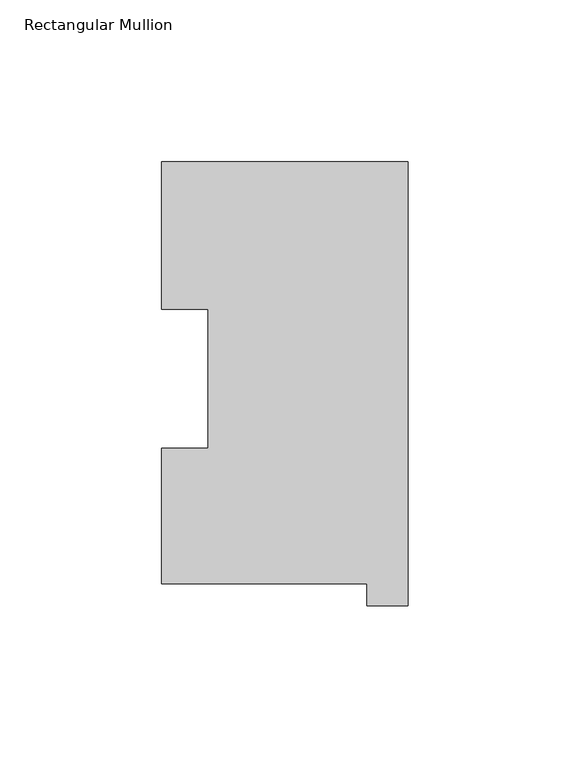
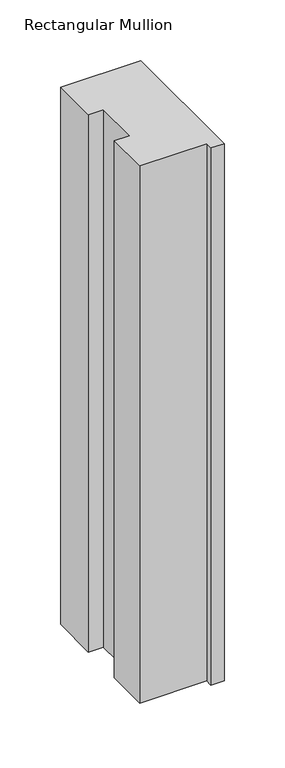
"""IFC4 building model written with IfcOpenShell, lengths in millimetres: member geometry, Rectangular Mullion."""

from ifc_helpers import new_model, si_unit, frame, origin, place, context, project, spatial, polyline, outline, extrude, source, transform, mapped, element, save


def rectangular_mullion_b1d35906(model_context):
    return source(origin(), model_context, "Body", "SweptSolid", [
        extrude(outline(polyline([(-76.2, 130.2646937), (0.0, 130.2646937), (0.0, -6.9461063), (-12.7, -6.9461063), (-12.7, -0.0373063), (-76.2, -0.0373063), (-76.2, 41.7508474), (-61.9101579, 41.7508474), (-61.9101579, 84.6335938), (-76.2, 84.6335938), (-76.2, 130.2646937)])), frame((0.0, 0.0, -539.902387), z_axis=(0.0, 0.0, 1.0), x_axis=(1.0, 0.0, 0.0)), (0.0, 0.0, 1.0), 539.902387),
    ])


if __name__ == "__main__":
    model = new_model("IFC4")
    model_context = context("Model", 3, world=origin())
    ifc_project = project(units=[si_unit("LENGTHUNIT", "METRE", prefix="MILLI")], contexts=[model_context])
    site = spatial("IfcSite", under=ifc_project)
    building = spatial("IfcBuilding", under=site)
    placement = place(None, origin())
    rectangular_mullion_shape = rectangular_mullion_b1d35906(model_context)
    element("IfcMember", 1, ObjectType="Rectangular Mullion", at=placement, inside=building, context=model_context, shape_type="MappedRepresentation", body=[
        mapped(rectangular_mullion_shape, transform((0.0, 0.0, 0.0), x_axis=(1.0, 0.0, 0.0), y_axis=(0.0, 1.0, 0.0), z_axis=(0.0, 0.0, 1.0))),
    ])
    save(model, "model.ifc")
